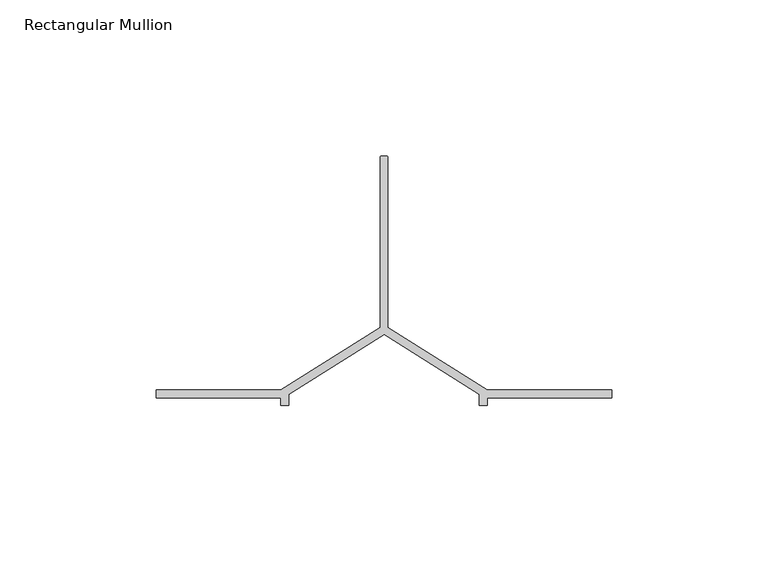
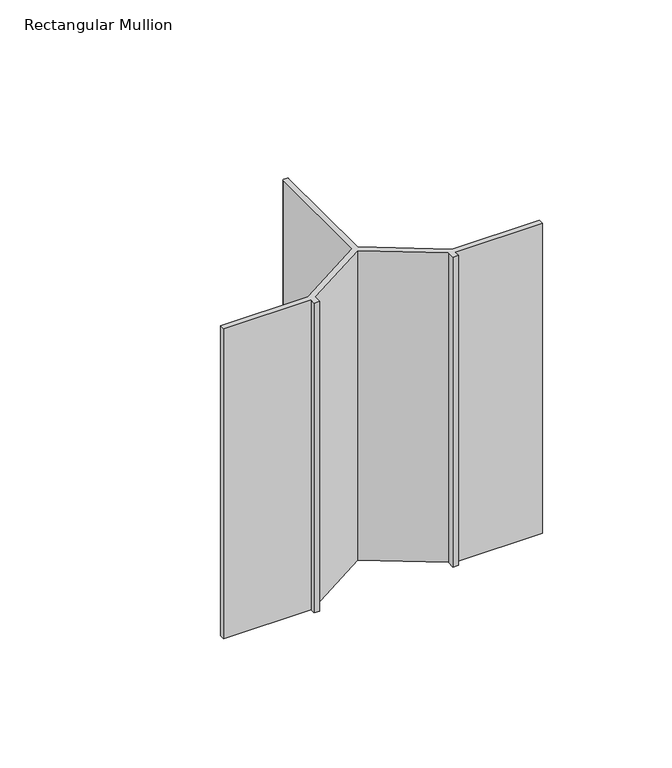
"""IFC4 building model written with IfcOpenShell, lengths in millimetres: member geometry, Rectangular Mullion."""

from ifc_helpers import new_model, si_unit, point, frame, frame_2d, origin, place, context, project, spatial, polyline, circle_curve, trimmed, segment, composite_curve, outline, extrude, source, transform, mapped, element, save


def rectangular_mullion_a20da85c(model_context):
    return source(origin(), model_context, "Body", "SweptSolid", [
        extrude(outline(composite_curve([segment(polyline([(-73.75, -68.5), (-72.25, -68.5)]), True, "CONTINUOUS"), segment(trimmed(circle_curve(frame_2d((-72.25, -69.0)), 0.5), [point((-72.25, -68.5))], [point((-71.75, -69.0))], False, "CARTESIAN"), True, "CONTINUOUS"), segment(polyline([(-71.75, -69.0), (-71.75, -123.5), (-40.0, -143.5), (0.0, -143.5), (0.0, -146.0), (-40.0, -146.0), (-40.0, -148.5), (-42.5, -148.5), (-42.5, -144.879855), (-73.0, -125.6672566), (-103.5, -144.879855), (-103.5, -148.5), (-106.0, -148.5), (-106.0, -146.0), (-146.0, -146.0), (-146.0, -143.5), (-106.0, -143.5), (-74.25, -123.5), (-74.25, -69.0)]), True, "CONTINUOUS"), segment(trimmed(circle_curve(frame_2d((-73.75, -69.0)), 0.5), [point((-74.25, -69.0))], [point((-73.75, -68.5))], False, "CARTESIAN"), True, "CONTINUOUS")], self_intersect=False)), frame((0.0, 0.0, -150.0), z_axis=(0.0, 0.0, 1.0), x_axis=(1.0, 0.0, 0.0)), (0.0, 0.0, 1.0), 150.0),
    ])


if __name__ == "__main__":
    model = new_model("IFC4")
    model_context = context("Model", 3, world=origin())
    ifc_project = project(units=[si_unit("LENGTHUNIT", "METRE", prefix="MILLI")], contexts=[model_context])
    site = spatial("IfcSite", under=ifc_project)
    building = spatial("IfcBuilding", under=site)
    placement = place(None, origin())
    rectangular_mullion_shape = rectangular_mullion_a20da85c(model_context)
    element("IfcMember", 1, ObjectType="Rectangular Mullion", at=placement, inside=building, context=model_context, shape_type="MappedRepresentation", body=[
        mapped(rectangular_mullion_shape, transform((0.0, 0.0, 0.0), x_axis=(1.0, 0.0, 0.0), y_axis=(0.0, 1.0, 0.0), z_axis=(0.0, 0.0, 1.0))),
    ])
    save(model, "model.ifc")
